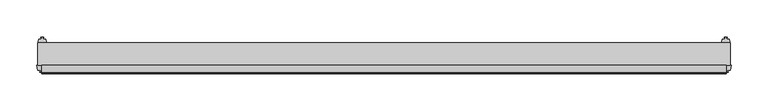
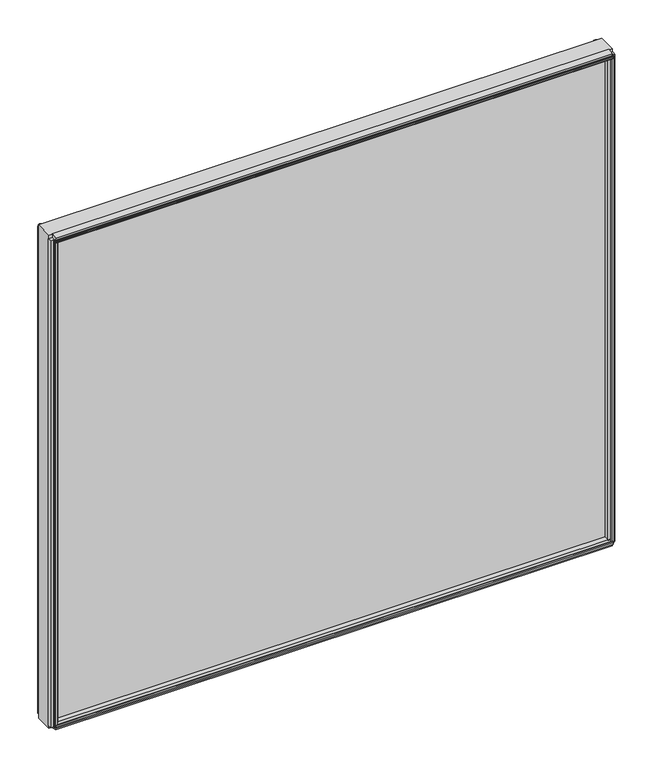
"""IFC4 building model written with IfcOpenShell, lengths in millimetres: plate geometry."""

from ifc_helpers import new_model, si_unit, frame, origin, place, context, project, spatial, polyline, outline, extrude, source, transform, mapped, element, save


def plate_b5acd09b(model_context):
    return source(origin(), model_context, "Body", "SweptSolid", [
        extrude(outline(polyline([(471.425, 0.0611188), (471.425, -30.0632812), (-471.425, -30.0632812), (-471.425, 0.0611188), (471.425, 0.0611188)])), frame((0.0, 0.0, 24.1101562), z_axis=(0.0, 0.0, 1.0), x_axis=(1.0, 0.0, 0.0)), (0.0, 0.0, 1.0), 872.6979284),
        extrude(outline(polyline([(-30.0632812, 897.3999858), (-30.0632812, 883.0303978), (-36.7942812, 884.7995697), (-37.9052879, 888.9459029), (-40.6553872, 888.7086403), (-40.0090278, 887.2777749), (-40.7941323, 887.0674068), (-41.7914929, 889.2193982), (-42.003749, 891.5817577), (-41.2186445, 891.7921258), (-41.0629754, 890.2297803), (-38.5626883, 891.3993545), (-39.6736949, 895.5456877), (-30.0632812, 897.3999858)])), frame((-465.86875, 0.0, 0.0), z_axis=(1.0, 0.0, 0.0), x_axis=(0.0, 1.0, 0.0)), (0.0, 0.0, 1.0), 931.7375),
        extrude(outline(polyline([(466.6209429, -39.5092713), (468.1694246, -39.2497314), (468.1723316, -40.0625262), (465.837, -40.4772812), (463.4987614, -40.0792415), (463.4987614, -39.2664467), (465.046153, -39.5149036), (464.5538273, -36.7987999), (460.2752005, -36.7987999), (459.0819, -30.0632812), (472.5921, -30.0632812), (471.4031205, -36.7744101), (467.0964891, -36.7744101), (466.6209429, -39.5092713)])), frame((0.0, 0.0, 29.6664062), z_axis=(0.0, 0.0, 1.0), x_axis=(1.0, 0.0, 0.0)), (0.0, 0.0, 1.0), 861.5854284),
        extrude(outline(polyline([(464.2910571, 7.5513088), (462.7425754, 7.2917689), (462.7396684, 8.1045637), (465.075, 8.5193188), (467.4132386, 8.121279), (467.4132386, 7.3084842), (465.865847, 7.5569411), (466.3581727, 4.8408374), (469.8491409, 4.8408374), (470.3779556, 2.5845617), (469.8448338, 0.0611188), (460.3051662, 0.0611188), (459.7720444, 2.5845617), (460.2998, 4.8363188), (463.8189662, 4.8363188), (464.2910571, 7.5513088)])), frame((0.0, 0.0, 29.6664062), z_axis=(0.0, 0.0, 1.0), x_axis=(1.0, 0.0, 0.0)), (0.0, 0.0, 1.0), 861.5854284),
        extrude(outline(polyline([(-466.6209429, -39.5092713), (-467.0964891, -36.7744101), (-471.4031205, -36.7744101), (-472.5921, -30.0632812), (-459.0819, -30.0632812), (-460.2752005, -36.7987999), (-464.5538273, -36.7987999), (-465.046153, -39.5149036), (-463.4987614, -39.2664467), (-463.4987614, -40.0792415), (-465.837, -40.4772812), (-468.1723316, -40.0625262), (-468.1694246, -39.2497314), (-466.6209429, -39.5092713)])), frame((0.0, 0.0, 29.6664062), z_axis=(0.0, 0.0, 1.0), x_axis=(1.0, 0.0, 0.0)), (0.0, 0.0, 1.0), 861.5854284),
        extrude(outline(polyline([(-464.2910571, 7.5513088), (-463.8189662, 4.8363188), (-460.2998, 4.8363188), (-459.7720444, 2.5845617), (-460.3051662, 0.0611188), (-469.8448338, 0.0611188), (-470.3779556, 2.5845617), (-469.8491409, 4.8408374), (-466.3581727, 4.8408374), (-465.865847, 7.5569411), (-467.4132386, 7.3084842), (-467.4132386, 8.121279), (-465.075, 8.5193188), (-462.7396684, 8.1045637), (-462.7425754, 7.2917689), (-464.2910571, 7.5513088)])), frame((0.0, 0.0, 29.6664062), z_axis=(0.0, 0.0, 1.0), x_axis=(1.0, 0.0, 0.0)), (0.0, 0.0, 1.0), 861.5854284),
        extrude(outline(polyline([(-30.0632812, 23.5182551), (-39.6736949, 25.3725532), (-38.5626883, 29.5188864), (-41.0629754, 30.6884606), (-41.2186445, 29.1261151), (-42.003749, 29.3364832), (-41.7914929, 31.6988428), (-40.7941323, 33.8508342), (-40.0090278, 33.6404661), (-40.6553872, 32.2096006), (-37.9052879, 31.972338), (-36.7942812, 36.1186712), (-30.0632812, 37.8878432), (-30.0632812, 23.5182551)])), frame((-465.86875, 0.0, 0.0), z_axis=(1.0, 0.0, 0.0), x_axis=(0.0, 1.0, 0.0)), (0.0, 0.0, 1.0), 931.7375),
    ])


if __name__ == "__main__":
    model = new_model("IFC4")
    model_context = context("Model", 3, world=origin())
    ifc_project = project(units=[si_unit("LENGTHUNIT", "METRE", prefix="MILLI")], contexts=[model_context])
    site = spatial("IfcSite", under=ifc_project)
    building = spatial("IfcBuilding", under=site)
    placement = place(None, origin())
    plate_shape = plate_b5acd09b(model_context)
    element("IfcPlate", 1, at=placement, inside=building, context=model_context, shape_type="MappedRepresentation", body=[
        mapped(plate_shape, transform((0.0, 0.0, 0.0), x_axis=(1.0, 0.0, 0.0), y_axis=(0.0, 1.0, 0.0), z_axis=(0.0, 0.0, 1.0))),
    ])
    save(model, "model.ifc")
